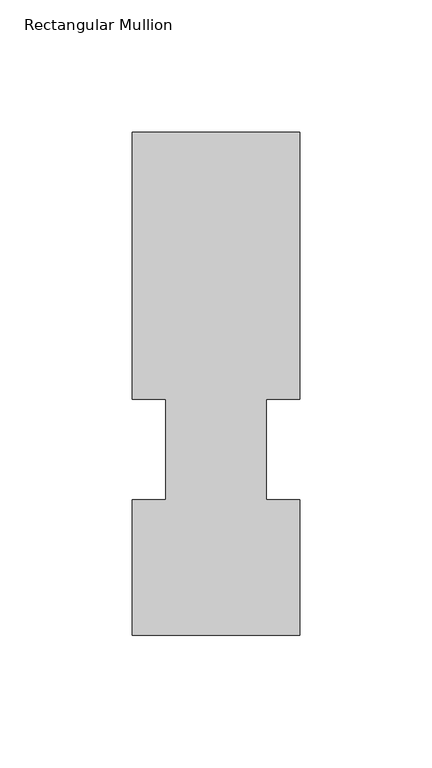
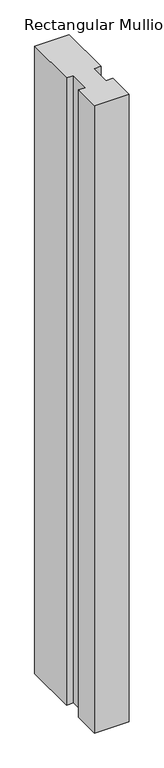
"""IFC4 building model written with IfcOpenShell, lengths in millimetres: member geometry, Rectangular Mullion."""

from ifc_helpers import new_model, si_unit, frame, origin, place, context, project, spatial, polyline, outline, extrude, source, transform, mapped, element, save


def rectangular_mullion_b2f51bfc(model_context):
    return source(origin(), model_context, "Body", "SweptSolid", [
        extrude(outline(polyline([(31.75, 51.4945313), (31.75, 0.2119313), (-31.75, 0.2119313), (-31.75, 51.4945313), (-19.05, 51.4945313), (-19.05, 89.5945313), (-31.75, 89.5945313), (-31.75, 190.7881312), (31.7499998, 190.7881312), (31.7499998, 89.5945313), (19.05, 89.5945313), (19.05, 51.4945313), (31.75, 51.4945313)])), frame((0.0, 0.0, -1219.2), z_axis=(0.0, 0.0, 1.0), x_axis=(1.0, 0.0, 0.0)), (0.0, 0.0, 1.0), 1219.2),
    ])


if __name__ == "__main__":
    model = new_model("IFC4")
    model_context = context("Model", 3, world=origin())
    ifc_project = project(units=[si_unit("LENGTHUNIT", "METRE", prefix="MILLI")], contexts=[model_context])
    site = spatial("IfcSite", under=ifc_project)
    building = spatial("IfcBuilding", under=site)
    placement = place(None, origin())
    rectangular_mullion_shape = rectangular_mullion_b2f51bfc(model_context)
    element("IfcMember", 1, ObjectType="Rectangular Mullion", at=placement, inside=building, context=model_context, shape_type="MappedRepresentation", body=[
        mapped(rectangular_mullion_shape, transform((0.0, 0.0, 0.0), x_axis=(1.0, 0.0, 0.0), y_axis=(0.0, 1.0, 0.0), z_axis=(0.0, 0.0, 1.0))),
    ])
    save(model, "model.ifc")
